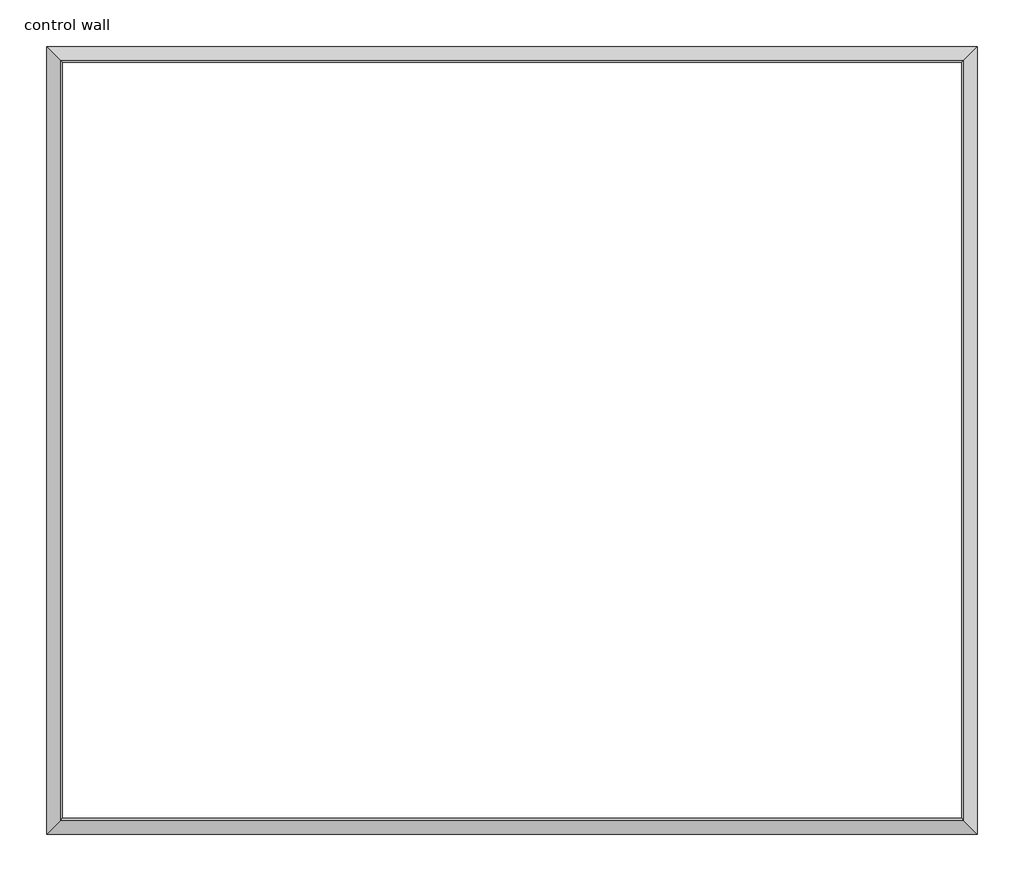
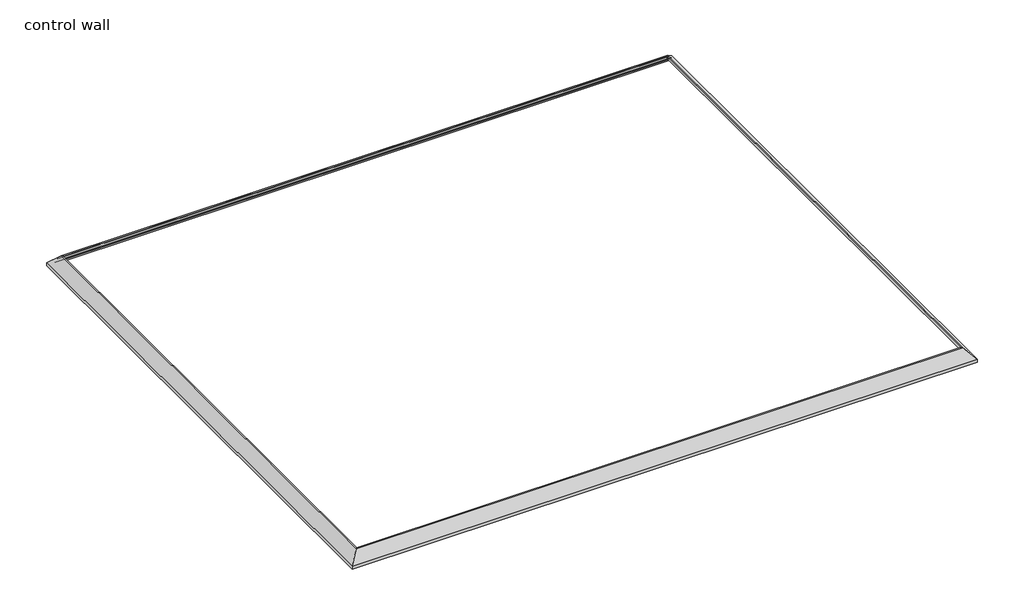
# One storey: 4 proxies.
"""IFC4 building model written with IfcOpenShell, lengths in millimetres."""

from ifc_helpers import new_model, si_unit, frame, origin, place, context, project, spatial, polyline, ellipse_curve, element, save
from ifc_brep_helpers import plane_surface, cylinder_surface, revolved_surface, advanced_brep

model = new_model("IFC4")

# Units and contexts
model_context = context("Model", 3, world=origin())
ifc_project = project(units=[si_unit("LENGTHUNIT", "METRE", prefix="MILLI")], contexts=[model_context])

# Site, building, storey
site = spatial("IfcSite", under=ifc_project)
building = spatial("IfcBuilding", under=site)
storey = spatial("IfcBuildingStorey", under=building, Name="control wall", Elevation=2133.6)

# Proxies
placement = place(None, origin())
element("IfcBuildingElementProxy", 1, Name="Wall Sweeps", at=placement, inside=storey, context=model_context, shape_type="AdvancedBrep", body=[
    advanced_brep(
    [(18669.8562534, -13448.476203, 2982.9793892), (18669.8562534, -13448.476203, 2959.1), (18678.8365096, -13457.4564592, 2959.1), (18678.8365096, -13457.4564592, 2968.0802561), (18692.3068938, -13470.9268433, 2981.5506403), (18692.3068938, -13470.9268433, 2987.9006403), (18712.8315736, -13491.4515232, 3008.4253202), (18733.3562534, -13511.976203, 3028.95), (18742.9795623, -13521.5995118, 3028.95), (18742.9795623, -13521.5995118, 3048.0), (18734.8768643, -13513.4968139, 3048.0), (22962.7402299, -13448.476203, 2982.9793892), (22897.719619, -13513.4968139, 3048.0), (22889.6169211, -13521.5995118, 3048.0), (22889.6169211, -13521.5995118, 3028.95), (22899.2402299, -13511.976203, 3028.95), (22919.7649097, -13491.4515232, 3008.4253202), (22940.2895896, -13470.9268433, 2987.9006403), (22940.2895896, -13470.9268433, 2981.5506403), (22953.7599738, -13457.4564592, 2968.0802561), (22953.7599738, -13457.4564592, 2959.1), (22962.7402299, -13448.476203, 2959.1)],
    [
        (0, 1),
        (1, 2),
        (2, 3),
        (3, 4, ellipse_curve(frame((18692.3068938, -13470.9268433, 2968.0802561), z_axis=(0.7071067811865476, 0.7071067811865476, 0.0), x_axis=(0.7071067811865474, -0.7071067811865476, 0.0)), 19.05, 13.4703842)),
        (4, 5),
        (5, 6, ellipse_curve(frame((18692.3068938, -13470.9268433, 3008.4253202), z_axis=(-0.7071067811865476, -0.7071067811865476, 0.0), x_axis=(-0.7071067811865474, 0.7071067811865476, 0.0)), 29.0262806, 20.5246798)),
        (6, 7, ellipse_curve(frame((18733.3562534, -13511.976203, 3008.4253202), z_axis=(0.7071067811865476, 0.7071067811865476, 0.0), x_axis=(0.7071067811865474, -0.7071067811865476, 0.0)), 29.0262806, 20.5246798)),
        (7, 8),
        (8, 9),
        (9, 10),
        (10, 0),
        (11, 12),
        (12, 13),
        (13, 14),
        (14, 15),
        (15, 16, ellipse_curve(frame((22899.2402299, -13511.976203, 3008.4253202), z_axis=(-0.707106781186544, 0.7071067811865511, 0.0), x_axis=(0.7071067811865509, 0.7071067811865441, 0.0)), 29.0262806, 20.5246798)),
        (16, 17, ellipse_curve(frame((22940.2895896, -13470.9268433, 3008.4253202), z_axis=(0.707106781186544, -0.7071067811865511, 0.0), x_axis=(-0.7071067811865509, -0.7071067811865441, 0.0)), 29.0262806, 20.5246798)),
        (17, 18),
        (18, 19, ellipse_curve(frame((22940.2895896, -13470.9268433, 2968.0802561), z_axis=(-0.707106781186544, 0.7071067811865511, 0.0), x_axis=(0.7071067811865509, 0.7071067811865441, 0.0)), 19.05, 13.4703842)),
        (19, 20),
        (20, 21),
        (21, 11),
        (0, 11),
        (21, 1),
        (9, 13),
        (12, 10),
        (20, 2),
        (19, 3),
        (18, 4),
        (17, 5),
        (16, 6),
        (15, 7),
        (14, 8),
    ],
    [
        plane_surface(frame((18669.8562534, -13448.476203, 3263.9), z_axis=(-0.7071067811865476, -0.7071067811865476, 0.0), x_axis=(0.7071067811865476, -0.7071067811865476, 0.0))),
        plane_surface(frame((22962.7402299, -13448.476203, 3263.9), z_axis=(0.707106781186544, -0.7071067811865511, 0.0), x_axis=(-0.7071067811865511, -0.707106781186544, 0.0))),
        plane_surface(frame((18669.8562534, -13448.476203, 2982.9793892), z_axis=(0.0, 1.0, 0.0), x_axis=(1.0, 0.0, 0.0))),
        plane_surface(frame((18742.9795623, -13521.5995118, 3048.0), z_axis=(0.0, 0.0, 1.0), x_axis=(1.0, 0.0, 0.0))),
        plane_surface(frame((18669.8562534, -13448.476203, 2959.1), z_axis=(0.0, 0.0, -1.0), x_axis=(1.0, 0.0, 0.0))),
        plane_surface(frame((18678.8365096, -13457.4564592, 2959.1), z_axis=(0.0, -1.0, 0.0), x_axis=(1.0, 0.0, 0.0))),
        revolved_surface(polyline([(22953.7599738, -13484.3972275, 2968.0802561), (18678.8365096, -13484.3972275, 2968.0802561)]), (18669.8562534, -13470.9268433, 2968.0802561), (1.0, 0.0, 0.0)),
        plane_surface(frame((18692.3068938, -13470.9268433, 2981.5506403), z_axis=(0.0, -1.0, 0.0), x_axis=(1.0, 0.0, 0.0))),
        cylinder_surface(frame((18669.8562534, -13470.9268433, 3008.4253202), z_axis=(-1.0, 0.0, 0.0), x_axis=(0.0, -1.0, 0.0)), 20.5246798),
        revolved_surface(polyline([(22919.76490974488, -13532.5008828, 3008.4253202), (18712.83157355512, -13532.5008828, 3008.4253202)]), (18669.8562534, -13511.976203, 3008.4253202), (1.0, 0.0, 0.0)),
        plane_surface(frame((18733.3562534, -13511.976203, 3028.95), z_axis=(0.0, 0.0, -1.0), x_axis=(1.0, 0.0, 0.0))),
        plane_surface(frame((18742.9795623, -13521.5995118, 3028.95), z_axis=(0.0, -1.0, 0.0), x_axis=(1.0, 0.0, 0.0))),
        plane_surface(frame((18734.8768643, -13513.4968139, 3048.0), z_axis=(0.0, 0.707106781186547, 0.707106781186548), x_axis=(1.0, 0.0, 0.0))),
    ],
    [
        (0, [[1, 2, 3, 4, 5, 6, 7, 8, 9, 10, 11]]),
        (1, [[12, 13, 14, 15, 16, 17, 18, 19, 20, 21, 22]]),
        (2, [[-1, 23, -22, 24]]),
        (3, [[-10, 25, -13, 26]]),
        (4, [[-2, -24, -21, 27]]),
        (5, [[-3, -27, -20, 28]]),
        (6, [[-4, -28, -19, 29]]),
        (7, [[-5, -29, -18, 30]]),
        (8, [[-6, -30, -17, 31]]),
        (9, [[-7, -31, -16, 32]]),
        (10, [[-8, -32, -15, 33]]),
        (11, [[-9, -33, -14, -25]]),
        (12, [[-11, -26, -12, -23]]),
    ],
),
])
element("IfcBuildingElementProxy", 2, Name="Wall Sweeps", at=placement, inside=storey, context=model_context, shape_type="AdvancedBrep", body=[
    advanced_brep(
    [(18669.8562534, -17080.4193229, 2982.9793892), (18669.8562534, -17080.4193229, 2959.1), (18678.8365096, -17071.4390667, 2959.1), (18678.8365096, -17071.4390667, 2968.0802561), (18692.3068938, -17057.9686826, 2981.5506403), (18692.3068938, -17057.9686826, 2987.9006403), (18712.8315736, -17037.4440027, 3008.4253202), (18733.3562534, -17016.9193229, 3028.95), (18742.9795623, -17007.2960141, 3028.95), (18742.9795623, -17007.2960141, 3048.0), (18734.8768643, -17015.398712, 3048.0), (18669.8562534, -13448.476203, 2982.9793892), (18734.8768643, -13513.4968139, 3048.0), (18742.9795623, -13521.5995118, 3048.0), (18742.9795623, -13521.5995118, 3028.95), (18733.3562534, -13511.976203, 3028.95), (18712.8315736, -13491.4515232, 3008.4253202), (18692.3068938, -13470.9268433, 2987.9006403), (18692.3068938, -13470.9268433, 2981.5506403), (18678.8365096, -13457.4564592, 2968.0802561), (18678.8365096, -13457.4564592, 2959.1), (18669.8562534, -13448.476203, 2959.1)],
    [
        (0, 1),
        (1, 2),
        (2, 3),
        (3, 4, ellipse_curve(frame((18692.3068938, -17057.9686826, 2968.0802561), z_axis=(-0.7071067811865476, 0.7071067811865476, 0.0), x_axis=(0.7071067811865476, 0.7071067811865474, 0.0)), 19.05, 13.4703842)),
        (4, 5),
        (5, 6, ellipse_curve(frame((18692.3068938, -17057.9686826, 3008.4253202), z_axis=(0.7071067811865476, -0.7071067811865476, 0.0), x_axis=(-0.7071067811865476, -0.7071067811865474, 0.0)), 29.0262806, 20.5246798)),
        (6, 7, ellipse_curve(frame((18733.3562534, -17016.9193229, 3008.4253202), z_axis=(-0.7071067811865476, 0.7071067811865476, 0.0), x_axis=(0.7071067811865476, 0.7071067811865474, 0.0)), 29.0262806, 20.5246798)),
        (7, 8),
        (8, 9),
        (9, 10),
        (10, 0),
        (11, 12),
        (12, 13),
        (13, 14),
        (14, 15),
        (15, 16, ellipse_curve(frame((18733.3562534, -13511.976203, 3008.4253202), z_axis=(-0.7071067811865476, -0.7071067811865476, 0.0), x_axis=(-0.7071067811865476, 0.7071067811865474, 0.0)), 29.0262806, 20.5246798)),
        (16, 17, ellipse_curve(frame((18692.3068938, -13470.9268433, 3008.4253202), z_axis=(0.7071067811865476, 0.7071067811865476, 0.0), x_axis=(0.7071067811865476, -0.7071067811865474, 0.0)), 29.0262806, 20.5246798)),
        (17, 18),
        (18, 19, ellipse_curve(frame((18692.3068938, -13470.9268433, 2968.0802561), z_axis=(-0.7071067811865476, -0.7071067811865476, 0.0), x_axis=(-0.7071067811865476, 0.7071067811865474, 0.0)), 19.05, 13.4703842)),
        (19, 20),
        (20, 21),
        (21, 11),
        (0, 11),
        (21, 1),
        (9, 13),
        (12, 10),
        (20, 2),
        (19, 3),
        (18, 4),
        (17, 5),
        (16, 6),
        (15, 7),
        (14, 8),
    ],
    [
        plane_surface(frame((18669.8562534, -17080.4193229, 3263.9), z_axis=(0.7071067811865476, -0.7071067811865476, 0.0), x_axis=(0.7071067811865476, 0.7071067811865476, 0.0))),
        plane_surface(frame((18669.8562534, -13448.476203, 3263.9), z_axis=(0.7071067811865476, 0.7071067811865476, 0.0), x_axis=(0.7071067811865476, -0.7071067811865476, 0.0))),
        plane_surface(frame((18669.8562534, -17080.4193229, 2982.9793892), z_axis=(-1.0, 0.0, 0.0), x_axis=(0.0, 1.0, 0.0))),
        plane_surface(frame((18742.9795623, -17007.2960141, 3048.0), z_axis=(0.0, 0.0, 1.0), x_axis=(0.0, 1.0, 0.0))),
        plane_surface(frame((18669.8562534, -17080.4193229, 2959.1), z_axis=(0.0, 0.0, -1.0), x_axis=(0.0, 1.0, 0.0))),
        plane_surface(frame((18678.8365096, -17071.4390667, 2959.1), z_axis=(1.0, 0.0, 0.0), x_axis=(0.0, 1.0, 0.0))),
        revolved_surface(polyline([(18705.777278, -13457.456459118395, 2968.0802561), (18705.777278, -17071.439066781604, 2968.0802561)]), (18692.3068938, -17080.4193229, 2968.0802561), (0.0, 1.0, 0.0)),
        plane_surface(frame((18692.3068938, -17057.9686826, 2981.5506403), z_axis=(1.0, 0.0, 0.0), x_axis=(0.0, 1.0, 0.0))),
        cylinder_surface(frame((18692.3068938, -17080.4193229, 3008.4253202), z_axis=(0.0, -1.0, 0.0), x_axis=(1.0, 0.0, 0.0)), 20.5246798),
        revolved_surface(polyline([(18753.880933200002, -13491.451523155116, 3008.4253202), (18753.880933200002, -17037.444002744884, 3008.4253202)]), (18733.3562534, -17080.4193229, 3008.4253202), (0.0, 1.0, 0.0)),
        plane_surface(frame((18733.3562534, -17016.9193229, 3028.95), z_axis=(0.0, 0.0, -1.0), x_axis=(0.0, 1.0, 0.0))),
        plane_surface(frame((18742.9795623, -17007.2960141, 3028.95), z_axis=(1.0, 0.0, 0.0), x_axis=(0.0, 1.0, 0.0))),
        plane_surface(frame((18734.8768643, -17015.398712, 3048.0), z_axis=(-0.707106781186547, 0.0, 0.707106781186548), x_axis=(0.0, 1.0, 0.0))),
    ],
    [
        (0, [[1, 2, 3, 4, 5, 6, 7, 8, 9, 10, 11]]),
        (1, [[12, 13, 14, 15, 16, 17, 18, 19, 20, 21, 22]]),
        (2, [[-1, 23, -22, 24]]),
        (3, [[-10, 25, -13, 26]]),
        (4, [[-2, -24, -21, 27]]),
        (5, [[-3, -27, -20, 28]]),
        (6, [[-4, -28, -19, 29]]),
        (7, [[-5, -29, -18, 30]]),
        (8, [[-6, -30, -17, 31]]),
        (9, [[-7, -31, -16, 32]]),
        (10, [[-8, -32, -15, 33]]),
        (11, [[-9, -33, -14, -25]]),
        (12, [[-11, -26, -12, -23]]),
    ],
),
])
element("IfcBuildingElementProxy", 3, Name="Wall Sweeps", at=placement, inside=storey, context=model_context, shape_type="AdvancedBrep", body=[
    advanced_brep(
    [(22962.7402299, -17080.4193229, 2982.9793892), (22962.7402299, -17080.4193229, 2959.1), (22953.7599738, -17071.4390667, 2959.1), (22953.7599738, -17071.4390667, 2968.0802561), (22940.2895896, -17057.9686826, 2981.5506403), (22940.2895896, -17057.9686826, 2987.9006403), (22919.7649097, -17037.4440027, 3008.4253202), (22899.2402299, -17016.9193229, 3028.95), (22889.6169211, -17007.2960141, 3028.95), (22889.6169211, -17007.2960141, 3048.0), (22897.719619, -17015.398712, 3048.0), (18669.8562534, -17080.4193229, 2982.9793892), (18734.8768643, -17015.398712, 3048.0), (18742.9795623, -17007.2960141, 3048.0), (18742.9795623, -17007.2960141, 3028.95), (18733.3562534, -17016.9193229, 3028.95), (18712.8315736, -17037.4440027, 3008.4253202), (18692.3068938, -17057.9686826, 2987.9006403), (18692.3068938, -17057.9686826, 2981.5506403), (18678.8365096, -17071.4390667, 2968.0802561), (18678.8365096, -17071.4390667, 2959.1), (18669.8562534, -17080.4193229, 2959.1)],
    [
        (0, 1),
        (1, 2),
        (2, 3),
        (3, 4, ellipse_curve(frame((22940.2895896, -17057.9686826, 2968.0802561), z_axis=(-0.707106781186544, -0.7071067811865511, 0.0), x_axis=(-0.7071067811865509, 0.707106781186544, 0.0)), 19.05, 13.4703842)),
        (4, 5),
        (5, 6, ellipse_curve(frame((22940.2895896, -17057.9686826, 3008.4253202), z_axis=(0.707106781186544, 0.7071067811865511, 0.0), x_axis=(0.7071067811865509, -0.707106781186544, 0.0)), 29.0262806, 20.5246798)),
        (6, 7, ellipse_curve(frame((22899.2402299, -17016.9193229, 3008.4253202), z_axis=(-0.707106781186544, -0.7071067811865511, 0.0), x_axis=(-0.7071067811865509, 0.707106781186544, 0.0)), 29.0262806, 20.5246798)),
        (7, 8),
        (8, 9),
        (9, 10),
        (10, 0),
        (11, 12),
        (12, 13),
        (13, 14),
        (14, 15),
        (15, 16, ellipse_curve(frame((18733.3562534, -17016.9193229, 3008.4253202), z_axis=(0.7071067811865476, -0.7071067811865476, 0.0), x_axis=(-0.7071067811865475, -0.7071067811865477, 0.0)), 29.0262806, 20.5246798)),
        (16, 17, ellipse_curve(frame((18692.3068938, -17057.9686826, 3008.4253202), z_axis=(-0.7071067811865476, 0.7071067811865476, 0.0), x_axis=(0.7071067811865475, 0.7071067811865477, 0.0)), 29.0262806, 20.5246798)),
        (17, 18),
        (18, 19, ellipse_curve(frame((18692.3068938, -17057.9686826, 2968.0802561), z_axis=(0.7071067811865476, -0.7071067811865476, 0.0), x_axis=(-0.7071067811865475, -0.7071067811865477, 0.0)), 19.05, 13.4703842)),
        (19, 20),
        (20, 21),
        (21, 11),
        (0, 11),
        (21, 1),
        (9, 13),
        (12, 10),
        (20, 2),
        (19, 3),
        (18, 4),
        (17, 5),
        (16, 6),
        (15, 7),
        (14, 8),
    ],
    [
        plane_surface(frame((22962.7402299, -17080.4193229, 3263.9), z_axis=(0.707106781186544, 0.7071067811865511, 0.0), x_axis=(-0.7071067811865511, 0.707106781186544, 0.0))),
        plane_surface(frame((18669.8562534, -17080.4193229, 3263.9), z_axis=(-0.7071067811865476, 0.7071067811865476, 0.0), x_axis=(0.7071067811865476, 0.7071067811865476, 0.0))),
        plane_surface(frame((22962.7402299, -17080.4193229, 2982.9793892), z_axis=(0.0, -1.0, 0.0), x_axis=(-1.0, 0.0, 0.0))),
        plane_surface(frame((22889.6169211, -17007.2960141, 3048.0), z_axis=(0.0, 0.0, 1.0), x_axis=(-1.0, 0.0, 0.0))),
        plane_surface(frame((22962.7402299, -17080.4193229, 2959.1), z_axis=(0.0, 0.0, -1.0), x_axis=(-1.0, 0.0, 0.0))),
        plane_surface(frame((22953.7599738, -17071.4390667, 2959.1), z_axis=(0.0, 1.0, 0.0), x_axis=(-1.0, 0.0, 0.0))),
        revolved_surface(polyline([(18678.8365096, -17044.498298399998, 2968.0802561), (22953.7599738, -17044.498298399998, 2968.0802561)]), (22962.7402299, -17057.9686826, 2968.0802561), (-1.0, 0.0, 0.0)),
        plane_surface(frame((22940.2895896, -17057.9686826, 2981.5506403), z_axis=(0.0, 1.0, 0.0), x_axis=(-1.0, 0.0, 0.0))),
        cylinder_surface(frame((22962.7402299, -17057.9686826, 3008.4253202), z_axis=(1.0, 0.0, 0.0), x_axis=(0.0, 1.0, 0.0)), 20.5246798),
        revolved_surface(polyline([(18712.83157355512, -16996.3946431, 3008.4253202), (22919.76490974488, -16996.3946431, 3008.4253202)]), (22962.7402299, -17016.9193229, 3008.4253202), (-1.0, 0.0, 0.0)),
        plane_surface(frame((22899.2402299, -17016.9193229, 3028.95), z_axis=(0.0, 0.0, -1.0), x_axis=(-1.0, 0.0, 0.0))),
        plane_surface(frame((22889.6169211, -17007.2960141, 3028.95), z_axis=(0.0, 1.0, 0.0), x_axis=(-1.0, 0.0, 0.0))),
        plane_surface(frame((22897.719619, -17015.398712, 3048.0), z_axis=(0.0, -0.707106781186547, 0.707106781186548), x_axis=(-1.0, 0.0, 0.0))),
    ],
    [
        (0, [[1, 2, 3, 4, 5, 6, 7, 8, 9, 10, 11]]),
        (1, [[12, 13, 14, 15, 16, 17, 18, 19, 20, 21, 22]]),
        (2, [[-1, 23, -22, 24]]),
        (3, [[-10, 25, -13, 26]]),
        (4, [[-2, -24, -21, 27]]),
        (5, [[-3, -27, -20, 28]]),
        (6, [[-4, -28, -19, 29]]),
        (7, [[-5, -29, -18, 30]]),
        (8, [[-6, -30, -17, 31]]),
        (9, [[-7, -31, -16, 32]]),
        (10, [[-8, -32, -15, 33]]),
        (11, [[-9, -33, -14, -25]]),
        (12, [[-11, -26, -12, -23]]),
    ],
),
])
element("IfcBuildingElementProxy", 4, Name="Wall Sweeps", at=placement, inside=storey, context=model_context, shape_type="AdvancedBrep", body=[
    advanced_brep(
    [(22962.7402299, -13448.476203, 2982.9793892), (22962.7402299, -13448.476203, 2959.1), (22953.7599738, -13457.4564592, 2959.1), (22953.7599738, -13457.4564592, 2968.0802561), (22940.2895896, -13470.9268433, 2981.5506403), (22940.2895896, -13470.9268433, 2987.9006403), (22919.7649097, -13491.4515232, 3008.4253202), (22899.2402299, -13511.976203, 3028.95), (22889.6169211, -13521.5995118, 3028.95), (22889.6169211, -13521.5995118, 3048.0), (22897.719619, -13513.4968139, 3048.0), (22962.7402299, -17080.4193229, 2982.9793892), (22897.719619, -17015.398712, 3048.0), (22889.6169211, -17007.2960141, 3048.0), (22889.6169211, -17007.2960141, 3028.95), (22899.2402299, -17016.9193229, 3028.95), (22919.7649097, -17037.4440027, 3008.4253202), (22940.2895896, -17057.9686826, 2987.9006403), (22940.2895896, -17057.9686826, 2981.5506403), (22953.7599738, -17071.4390667, 2968.0802561), (22953.7599738, -17071.4390667, 2959.1), (22962.7402299, -17080.4193229, 2959.1)],
    [
        (0, 1),
        (1, 2),
        (2, 3),
        (3, 4, ellipse_curve(frame((22940.2895896, -13470.9268433, 2968.0802561), z_axis=(0.707106781186544, -0.7071067811865511, 0.0), x_axis=(-0.7071067811865511, -0.7071067811865438, 0.0)), 19.05, 13.4703842)),
        (4, 5),
        (5, 6, ellipse_curve(frame((22940.2895896, -13470.9268433, 3008.4253202), z_axis=(-0.707106781186544, 0.7071067811865511, 0.0), x_axis=(0.7071067811865511, 0.7071067811865438, 0.0)), 29.0262806, 20.5246798)),
        (6, 7, ellipse_curve(frame((22899.2402299, -13511.976203, 3008.4253202), z_axis=(0.707106781186544, -0.7071067811865511, 0.0), x_axis=(-0.7071067811865511, -0.7071067811865438, 0.0)), 29.0262806, 20.5246798)),
        (7, 8),
        (8, 9),
        (9, 10),
        (10, 0),
        (11, 12),
        (12, 13),
        (13, 14),
        (14, 15),
        (15, 16, ellipse_curve(frame((22899.2402299, -17016.9193229, 3008.4253202), z_axis=(0.707106781186544, 0.7071067811865511, 0.0), x_axis=(0.7071067811865511, -0.7071067811865438, 0.0)), 29.0262806, 20.5246798)),
        (16, 17, ellipse_curve(frame((22940.2895896, -17057.9686826, 3008.4253202), z_axis=(-0.707106781186544, -0.7071067811865511, 0.0), x_axis=(-0.7071067811865511, 0.7071067811865438, 0.0)), 29.0262806, 20.5246798)),
        (17, 18),
        (18, 19, ellipse_curve(frame((22940.2895896, -17057.9686826, 2968.0802561), z_axis=(0.707106781186544, 0.7071067811865511, 0.0), x_axis=(0.7071067811865511, -0.7071067811865438, 0.0)), 19.05, 13.4703842)),
        (19, 20),
        (20, 21),
        (21, 11),
        (0, 11),
        (21, 1),
        (9, 13),
        (12, 10),
        (20, 2),
        (19, 3),
        (18, 4),
        (17, 5),
        (16, 6),
        (15, 7),
        (14, 8),
    ],
    [
        plane_surface(frame((22962.7402299, -13448.476203, 3263.9), z_axis=(-0.707106781186544, 0.7071067811865511, 0.0), x_axis=(-0.7071067811865511, -0.707106781186544, 0.0))),
        plane_surface(frame((22962.7402299, -17080.4193229, 3263.9), z_axis=(-0.707106781186544, -0.7071067811865511, 0.0), x_axis=(-0.7071067811865511, 0.707106781186544, 0.0))),
        plane_surface(frame((22962.7402299, -13448.476203, 2982.9793892), z_axis=(1.0, 0.0, 0.0), x_axis=(0.0, -1.0, 0.0))),
        plane_surface(frame((22889.6169211, -13521.5995118, 3048.0), z_axis=(0.0, 0.0, 1.0), x_axis=(0.0, -1.0, 0.0))),
        plane_surface(frame((22962.7402299, -13448.476203, 2959.1), z_axis=(0.0, 0.0, -1.0), x_axis=(0.0, -1.0, 0.0))),
        plane_surface(frame((22953.7599738, -13457.4564592, 2959.1), z_axis=(-1.0, 0.0, 0.0), x_axis=(0.0, -1.0, 0.0))),
        revolved_surface(polyline([(22926.8192054, -17071.439066781604, 2968.0802561), (22926.8192054, -13457.456459118395, 2968.0802561)]), (22940.2895896, -13448.476203, 2968.0802561), (0.0, -1.0, 0.0)),
        plane_surface(frame((22940.2895896, -13470.9268433, 2981.5506403), z_axis=(-1.0, 0.0, 0.0), x_axis=(0.0, -1.0, 0.0))),
        cylinder_surface(frame((22940.2895896, -13448.476203, 3008.4253202), z_axis=(0.0, 1.0, 0.0), x_axis=(-1.0, 0.0, 0.0)), 20.5246798),
        revolved_surface(polyline([(22878.715550099998, -17037.444002744884, 3008.4253202), (22878.715550099998, -13491.451523155116, 3008.4253202)]), (22899.2402299, -13448.476203, 3008.4253202), (0.0, -1.0, 0.0)),
        plane_surface(frame((22899.2402299, -13511.976203, 3028.95), z_axis=(0.0, 0.0, -1.0), x_axis=(0.0, -1.0, 0.0))),
        plane_surface(frame((22889.6169211, -13521.5995118, 3028.95), z_axis=(-1.0, 0.0, 0.0), x_axis=(0.0, -1.0, 0.0))),
        plane_surface(frame((22897.719619, -13513.4968139, 3048.0), z_axis=(0.707106781186547, 0.0, 0.707106781186548), x_axis=(0.0, -1.0, 0.0))),
    ],
    [
        (0, [[1, 2, 3, 4, 5, 6, 7, 8, 9, 10, 11]]),
        (1, [[12, 13, 14, 15, 16, 17, 18, 19, 20, 21, 22]]),
        (2, [[-1, 23, -22, 24]]),
        (3, [[-10, 25, -13, 26]]),
        (4, [[-2, -24, -21, 27]]),
        (5, [[-3, -27, -20, 28]]),
        (6, [[-4, -28, -19, 29]]),
        (7, [[-5, -29, -18, 30]]),
        (8, [[-6, -30, -17, 31]]),
        (9, [[-7, -31, -16, 32]]),
        (10, [[-8, -32, -15, 33]]),
        (11, [[-9, -33, -14, -25]]),
        (12, [[-11, -26, -12, -23]]),
    ],
),
])

save(model, "model.ifc")
